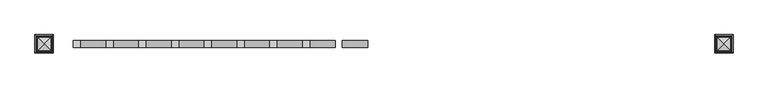
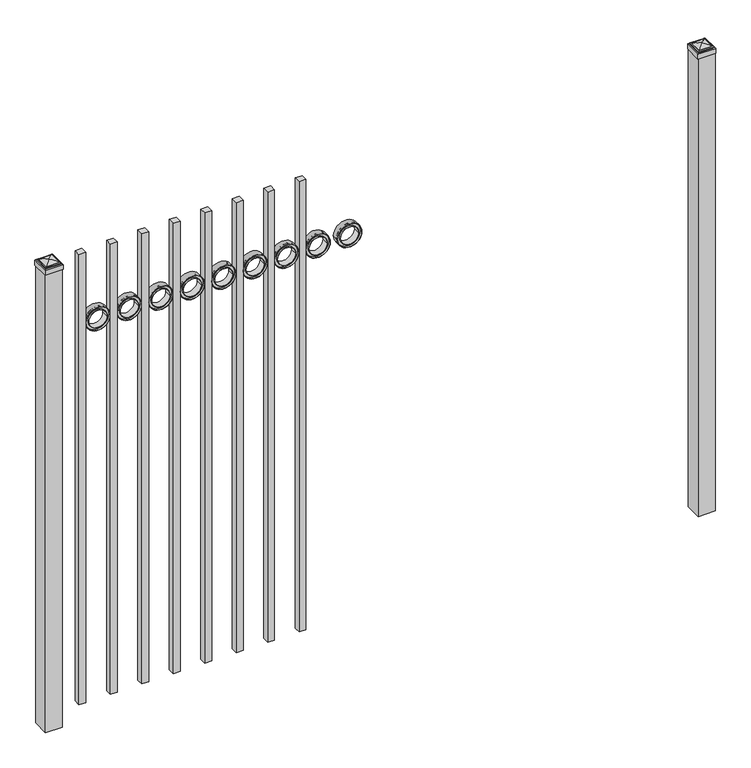
"""IFC4 building model written with IfcOpenShell, lengths in millimetres: railing geometry."""

from ifc_helpers import new_model, si_unit, point, frame, frame_2d, origin, origin_with_axes, place, context, project, spatial, polyline, circle_curve, ellipse_curve, trimmed, segment, composite_curve, outline, extrude, source, transform, mapped, element, save
from ifc_brep_helpers import plane_surface, cylinder_surface, advanced_brep


def railing_8e0ac181(model_context):
    return source(origin(), model_context, "Body", "SolidModel", [
        extrude(outline(composite_curve([segment(trimmed(circle_curve(frame_2d((1550.2040076, 12601.0088655)), 45.6988591), [point((1550.2040076, 12646.7077246))], [point((1550.2040076, 12555.3100064))], False, "CARTESIAN"), True, "CONTINUOUS"), segment(trimmed(circle_curve(frame_2d((1550.2040076, 12601.0088655)), 45.6988591), [point((1550.2040076, 12555.3100064))], [point((1550.2040076, 12646.7077246))], False, "CARTESIAN"), True, "CONTINUOUS")], self_intersect=False), holes=[composite_curve([segment(trimmed(circle_curve(frame_2d((1550.2040076, 12601.0088655)), 44.101539), [point((1550.2040076, 12645.1104045))], [point((1550.2040076, 12556.9073265))], True, "CARTESIAN"), True, "CONTINUOUS"), segment(trimmed(circle_curve(frame_2d((1550.2040076, 12601.0088655)), 44.101539), [point((1550.2040076, 12556.9073265))], [point((1550.2040076, 12645.1104045))], True, "CARTESIAN"), True, "CONTINUOUS")], self_intersect=False)]), frame((0.0, 10356.219541, 0.0), z_axis=(0.0, 1.0, 0.0), x_axis=(0.0, 0.0, 1.0)), (0.0, 0.0, 1.0), 25.4),
        extrude(outline(composite_curve([segment(trimmed(circle_curve(frame_2d((1550.2040076, 12601.0088655)), 34.6370762), [point((1550.2040076, 12635.6459417))], [point((1550.2040076, 12566.3717893))], False, "CARTESIAN"), True, "CONTINUOUS"), segment(trimmed(circle_curve(frame_2d((1550.2040076, 12601.0088655)), 34.6370762), [point((1550.2040076, 12566.3717893))], [point((1550.2040076, 12635.6459417))], False, "CARTESIAN"), True, "CONTINUOUS")], self_intersect=False), holes=[composite_curve([segment(trimmed(circle_curve(frame_2d((1550.2040076, 12601.0088655)), 33.0443887), [point((1550.2040076, 12634.0532542))], [point((1550.2040076, 12567.9644768))], True, "CARTESIAN"), True, "CONTINUOUS"), segment(trimmed(circle_curve(frame_2d((1550.2040076, 12601.0088655)), 33.0443887), [point((1550.2040076, 12567.9644768))], [point((1550.2040076, 12634.0532542))], True, "CARTESIAN"), True, "CONTINUOUS")], self_intersect=False)]), frame((0.0, 10356.219541, 0.0), z_axis=(0.0, 1.0, 0.0), x_axis=(0.0, 0.0, 1.0)), (0.0, 0.0, 1.0), 25.4),
        extrude(outline(composite_curve([segment(trimmed(circle_curve(frame_2d((1550.2040076, 12601.0088655)), 45.6988591), [point((1550.2040076, 12646.7077246))], [point((1550.2040076, 12555.3100064))], False, "CARTESIAN"), True, "CONTINUOUS"), segment(trimmed(circle_curve(frame_2d((1550.2040076, 12601.0088655)), 45.6988591), [point((1550.2040076, 12555.3100064))], [point((1550.2040076, 12646.7077246))], False, "CARTESIAN"), True, "CONTINUOUS")], self_intersect=False), holes=[composite_curve([segment(trimmed(circle_curve(frame_2d((1550.2040076, 12601.0088655)), 33.0443887), [point((1550.2040076, 12634.0532542))], [point((1550.2040076, 12567.9644768))], True, "CARTESIAN"), True, "CONTINUOUS"), segment(trimmed(circle_curve(frame_2d((1550.2040076, 12601.0088655)), 33.0443887), [point((1550.2040076, 12567.9644768))], [point((1550.2040076, 12634.0532542))], True, "CARTESIAN"), True, "CONTINUOUS")], self_intersect=False)]), frame((0.0, 10362.569541, 0.0), z_axis=(0.0, 1.0, 0.0), x_axis=(0.0, 0.0, 1.0)), (0.0, 0.0, 1.0), 12.7),
        extrude(outline(polyline([(12412.4350064, 10381.619541), (12437.8350064, 10381.619541), (12437.8350064, 10356.219541), (12412.4350064, 10356.219541), (12412.4350064, 10381.619541)])), frame((0.0, 0.0, 50.8), z_axis=(0.0, 0.0, 1.0), x_axis=(1.0, 0.0, 0.0)), (0.0, 0.0, 1.0), 1778.0),
        extrude(outline(composite_curve([segment(trimmed(circle_curve(frame_2d((1550.2040076, 12483.5338655)), 45.6988591), [point((1550.2040076, 12529.2327246))], [point((1550.2040076, 12437.8350064))], False, "CARTESIAN"), True, "CONTINUOUS"), segment(trimmed(circle_curve(frame_2d((1550.2040076, 12483.5338655)), 45.6988591), [point((1550.2040076, 12437.8350064))], [point((1550.2040076, 12529.2327246))], False, "CARTESIAN"), True, "CONTINUOUS")], self_intersect=False), holes=[composite_curve([segment(trimmed(circle_curve(frame_2d((1550.2040076, 12483.5338655)), 44.101539), [point((1550.2040076, 12527.6354045))], [point((1550.2040076, 12439.4323265))], True, "CARTESIAN"), True, "CONTINUOUS"), segment(trimmed(circle_curve(frame_2d((1550.2040076, 12483.5338655)), 44.101539), [point((1550.2040076, 12439.4323265))], [point((1550.2040076, 12527.6354045))], True, "CARTESIAN"), True, "CONTINUOUS")], self_intersect=False)]), frame((0.0, 10356.219541, 0.0), z_axis=(0.0, 1.0, 0.0), x_axis=(0.0, 0.0, 1.0)), (0.0, 0.0, 1.0), 25.4),
        extrude(outline(composite_curve([segment(trimmed(circle_curve(frame_2d((1550.2040076, 12483.5338655)), 34.6370762), [point((1550.2040076, 12518.1709417))], [point((1550.2040076, 12448.8967893))], False, "CARTESIAN"), True, "CONTINUOUS"), segment(trimmed(circle_curve(frame_2d((1550.2040076, 12483.5338655)), 34.6370762), [point((1550.2040076, 12448.8967893))], [point((1550.2040076, 12518.1709417))], False, "CARTESIAN"), True, "CONTINUOUS")], self_intersect=False), holes=[composite_curve([segment(trimmed(circle_curve(frame_2d((1550.2040076, 12483.5338655)), 33.0443887), [point((1550.2040076, 12516.5782542))], [point((1550.2040076, 12450.4894768))], True, "CARTESIAN"), True, "CONTINUOUS"), segment(trimmed(circle_curve(frame_2d((1550.2040076, 12483.5338655)), 33.0443887), [point((1550.2040076, 12450.4894768))], [point((1550.2040076, 12516.5782542))], True, "CARTESIAN"), True, "CONTINUOUS")], self_intersect=False)]), frame((0.0, 10356.219541, 0.0), z_axis=(0.0, 1.0, 0.0), x_axis=(0.0, 0.0, 1.0)), (0.0, 0.0, 1.0), 25.4),
        extrude(outline(composite_curve([segment(trimmed(circle_curve(frame_2d((1550.2040076, 12483.5338655)), 45.6988591), [point((1550.2040076, 12529.2327246))], [point((1550.2040076, 12437.8350064))], False, "CARTESIAN"), True, "CONTINUOUS"), segment(trimmed(circle_curve(frame_2d((1550.2040076, 12483.5338655)), 45.6988591), [point((1550.2040076, 12437.8350064))], [point((1550.2040076, 12529.2327246))], False, "CARTESIAN"), True, "CONTINUOUS")], self_intersect=False), holes=[composite_curve([segment(trimmed(circle_curve(frame_2d((1550.2040076, 12483.5338655)), 33.0443887), [point((1550.2040076, 12516.5782542))], [point((1550.2040076, 12450.4894768))], True, "CARTESIAN"), True, "CONTINUOUS"), segment(trimmed(circle_curve(frame_2d((1550.2040076, 12483.5338655)), 33.0443887), [point((1550.2040076, 12450.4894768))], [point((1550.2040076, 12516.5782542))], True, "CARTESIAN"), True, "CONTINUOUS")], self_intersect=False)]), frame((0.0, 10362.569541, 0.0), z_axis=(0.0, 1.0, 0.0), x_axis=(0.0, 0.0, 1.0)), (0.0, 0.0, 1.0), 12.7),
        extrude(outline(polyline([(12294.9600064, 10381.619541), (12320.3600064, 10381.619541), (12320.3600064, 10356.219541), (12294.9600064, 10356.219541), (12294.9600064, 10381.619541)])), frame((0.0, 0.0, 50.8), z_axis=(0.0, 0.0, 1.0), x_axis=(1.0, 0.0, 0.0)), (0.0, 0.0, 1.0), 1778.0),
        extrude(outline(composite_curve([segment(trimmed(circle_curve(frame_2d((1550.2040076, 12366.0588655)), 45.6988591), [point((1550.2040076, 12411.7577246))], [point((1550.2040076, 12320.3600064))], False, "CARTESIAN"), True, "CONTINUOUS"), segment(trimmed(circle_curve(frame_2d((1550.2040076, 12366.0588655)), 45.6988591), [point((1550.2040076, 12320.3600064))], [point((1550.2040076, 12411.7577246))], False, "CARTESIAN"), True, "CONTINUOUS")], self_intersect=False), holes=[composite_curve([segment(trimmed(circle_curve(frame_2d((1550.2040076, 12366.0588655)), 44.101539), [point((1550.2040076, 12410.1604045))], [point((1550.2040076, 12321.9573265))], True, "CARTESIAN"), True, "CONTINUOUS"), segment(trimmed(circle_curve(frame_2d((1550.2040076, 12366.0588655)), 44.101539), [point((1550.2040076, 12321.9573265))], [point((1550.2040076, 12410.1604045))], True, "CARTESIAN"), True, "CONTINUOUS")], self_intersect=False)]), frame((0.0, 10356.219541, 0.0), z_axis=(0.0, 1.0, 0.0), x_axis=(0.0, 0.0, 1.0)), (0.0, 0.0, 1.0), 25.4),
        extrude(outline(composite_curve([segment(trimmed(circle_curve(frame_2d((1550.2040076, 12366.0588655)), 34.6370762), [point((1550.2040076, 12400.6959417))], [point((1550.2040076, 12331.4217893))], False, "CARTESIAN"), True, "CONTINUOUS"), segment(trimmed(circle_curve(frame_2d((1550.2040076, 12366.0588655)), 34.6370762), [point((1550.2040076, 12331.4217893))], [point((1550.2040076, 12400.6959417))], False, "CARTESIAN"), True, "CONTINUOUS")], self_intersect=False), holes=[composite_curve([segment(trimmed(circle_curve(frame_2d((1550.2040076, 12366.0588655)), 33.0443887), [point((1550.2040076, 12399.1032542))], [point((1550.2040076, 12333.0144768))], True, "CARTESIAN"), True, "CONTINUOUS"), segment(trimmed(circle_curve(frame_2d((1550.2040076, 12366.0588655)), 33.0443887), [point((1550.2040076, 12333.0144768))], [point((1550.2040076, 12399.1032542))], True, "CARTESIAN"), True, "CONTINUOUS")], self_intersect=False)]), frame((0.0, 10356.219541, 0.0), z_axis=(0.0, 1.0, 0.0), x_axis=(0.0, 0.0, 1.0)), (0.0, 0.0, 1.0), 25.4),
        extrude(outline(composite_curve([segment(trimmed(circle_curve(frame_2d((1550.2040076, 12366.0588655)), 45.6988591), [point((1550.2040076, 12411.7577246))], [point((1550.2040076, 12320.3600064))], False, "CARTESIAN"), True, "CONTINUOUS"), segment(trimmed(circle_curve(frame_2d((1550.2040076, 12366.0588655)), 45.6988591), [point((1550.2040076, 12320.3600064))], [point((1550.2040076, 12411.7577246))], False, "CARTESIAN"), True, "CONTINUOUS")], self_intersect=False), holes=[composite_curve([segment(trimmed(circle_curve(frame_2d((1550.2040076, 12366.0588655)), 33.0443887), [point((1550.2040076, 12399.1032542))], [point((1550.2040076, 12333.0144768))], True, "CARTESIAN"), True, "CONTINUOUS"), segment(trimmed(circle_curve(frame_2d((1550.2040076, 12366.0588655)), 33.0443887), [point((1550.2040076, 12333.0144768))], [point((1550.2040076, 12399.1032542))], True, "CARTESIAN"), True, "CONTINUOUS")], self_intersect=False)]), frame((0.0, 10362.569541, 0.0), z_axis=(0.0, 1.0, 0.0), x_axis=(0.0, 0.0, 1.0)), (0.0, 0.0, 1.0), 12.7),
        extrude(outline(polyline([(12177.4850064, 10381.619541), (12202.8850064, 10381.619541), (12202.8850064, 10356.219541), (12177.4850064, 10356.219541), (12177.4850064, 10381.619541)])), frame((0.0, 0.0, 50.8), z_axis=(0.0, 0.0, 1.0), x_axis=(1.0, 0.0, 0.0)), (0.0, 0.0, 1.0), 1778.0),
        extrude(outline(composite_curve([segment(trimmed(circle_curve(frame_2d((1550.2040076, 12248.5838655)), 45.6988591), [point((1550.2040076, 12294.2827246))], [point((1550.2040076, 12202.8850064))], False, "CARTESIAN"), True, "CONTINUOUS"), segment(trimmed(circle_curve(frame_2d((1550.2040076, 12248.5838655)), 45.6988591), [point((1550.2040076, 12202.8850064))], [point((1550.2040076, 12294.2827246))], False, "CARTESIAN"), True, "CONTINUOUS")], self_intersect=False), holes=[composite_curve([segment(trimmed(circle_curve(frame_2d((1550.2040076, 12248.5838655)), 44.101539), [point((1550.2040076, 12292.6854045))], [point((1550.2040076, 12204.4823265))], True, "CARTESIAN"), True, "CONTINUOUS"), segment(trimmed(circle_curve(frame_2d((1550.2040076, 12248.5838655)), 44.101539), [point((1550.2040076, 12204.4823265))], [point((1550.2040076, 12292.6854045))], True, "CARTESIAN"), True, "CONTINUOUS")], self_intersect=False)]), frame((0.0, 10356.219541, 0.0), z_axis=(0.0, 1.0, 0.0), x_axis=(0.0, 0.0, 1.0)), (0.0, 0.0, 1.0), 25.4),
        extrude(outline(composite_curve([segment(trimmed(circle_curve(frame_2d((1550.2040076, 12248.5838655)), 34.6370762), [point((1550.2040076, 12283.2209417))], [point((1550.2040076, 12213.9467893))], False, "CARTESIAN"), True, "CONTINUOUS"), segment(trimmed(circle_curve(frame_2d((1550.2040076, 12248.5838655)), 34.6370762), [point((1550.2040076, 12213.9467893))], [point((1550.2040076, 12283.2209417))], False, "CARTESIAN"), True, "CONTINUOUS")], self_intersect=False), holes=[composite_curve([segment(trimmed(circle_curve(frame_2d((1550.2040076, 12248.5838655)), 33.0443887), [point((1550.2040076, 12281.6282542))], [point((1550.2040076, 12215.5394768))], True, "CARTESIAN"), True, "CONTINUOUS"), segment(trimmed(circle_curve(frame_2d((1550.2040076, 12248.5838655)), 33.0443887), [point((1550.2040076, 12215.5394768))], [point((1550.2040076, 12281.6282542))], True, "CARTESIAN"), True, "CONTINUOUS")], self_intersect=False)]), frame((0.0, 10356.219541, 0.0), z_axis=(0.0, 1.0, 0.0), x_axis=(0.0, 0.0, 1.0)), (0.0, 0.0, 1.0), 25.4),
        extrude(outline(composite_curve([segment(trimmed(circle_curve(frame_2d((1550.2040076, 12248.5838655)), 45.6988591), [point((1550.2040076, 12294.2827246))], [point((1550.2040076, 12202.8850064))], False, "CARTESIAN"), True, "CONTINUOUS"), segment(trimmed(circle_curve(frame_2d((1550.2040076, 12248.5838655)), 45.6988591), [point((1550.2040076, 12202.8850064))], [point((1550.2040076, 12294.2827246))], False, "CARTESIAN"), True, "CONTINUOUS")], self_intersect=False), holes=[composite_curve([segment(trimmed(circle_curve(frame_2d((1550.2040076, 12248.5838655)), 33.0443887), [point((1550.2040076, 12281.6282542))], [point((1550.2040076, 12215.5394768))], True, "CARTESIAN"), True, "CONTINUOUS"), segment(trimmed(circle_curve(frame_2d((1550.2040076, 12248.5838655)), 33.0443887), [point((1550.2040076, 12215.5394768))], [point((1550.2040076, 12281.6282542))], True, "CARTESIAN"), True, "CONTINUOUS")], self_intersect=False)]), frame((0.0, 10362.569541, 0.0), z_axis=(0.0, 1.0, 0.0), x_axis=(0.0, 0.0, 1.0)), (0.0, 0.0, 1.0), 12.7),
        extrude(outline(polyline([(12060.0100064, 10381.619541), (12085.4100064, 10381.619541), (12085.4100064, 10356.219541), (12060.0100064, 10356.219541), (12060.0100064, 10381.619541)])), frame((0.0, 0.0, 50.8), z_axis=(0.0, 0.0, 1.0), x_axis=(1.0, 0.0, 0.0)), (0.0, 0.0, 1.0), 1778.0),
        extrude(outline(composite_curve([segment(trimmed(circle_curve(frame_2d((1550.2040076, 12131.1088655)), 45.6988591), [point((1550.2040076, 12176.8077246))], [point((1550.2040076, 12085.4100064))], False, "CARTESIAN"), True, "CONTINUOUS"), segment(trimmed(circle_curve(frame_2d((1550.2040076, 12131.1088655)), 45.6988591), [point((1550.2040076, 12085.4100064))], [point((1550.2040076, 12176.8077246))], False, "CARTESIAN"), True, "CONTINUOUS")], self_intersect=False), holes=[composite_curve([segment(trimmed(circle_curve(frame_2d((1550.2040076, 12131.1088655)), 44.101539), [point((1550.2040076, 12175.2104045))], [point((1550.2040076, 12087.0073265))], True, "CARTESIAN"), True, "CONTINUOUS"), segment(trimmed(circle_curve(frame_2d((1550.2040076, 12131.1088655)), 44.101539), [point((1550.2040076, 12087.0073265))], [point((1550.2040076, 12175.2104045))], True, "CARTESIAN"), True, "CONTINUOUS")], self_intersect=False)]), frame((0.0, 10356.219541, 0.0), z_axis=(0.0, 1.0, 0.0), x_axis=(0.0, 0.0, 1.0)), (0.0, 0.0, 1.0), 25.4),
        extrude(outline(composite_curve([segment(trimmed(circle_curve(frame_2d((1550.2040076, 12131.1088655)), 34.6370762), [point((1550.2040076, 12165.7459417))], [point((1550.2040076, 12096.4717893))], False, "CARTESIAN"), True, "CONTINUOUS"), segment(trimmed(circle_curve(frame_2d((1550.2040076, 12131.1088655)), 34.6370762), [point((1550.2040076, 12096.4717893))], [point((1550.2040076, 12165.7459417))], False, "CARTESIAN"), True, "CONTINUOUS")], self_intersect=False), holes=[composite_curve([segment(trimmed(circle_curve(frame_2d((1550.2040076, 12131.1088655)), 33.0443887), [point((1550.2040076, 12164.1532542))], [point((1550.2040076, 12098.0644768))], True, "CARTESIAN"), True, "CONTINUOUS"), segment(trimmed(circle_curve(frame_2d((1550.2040076, 12131.1088655)), 33.0443887), [point((1550.2040076, 12098.0644768))], [point((1550.2040076, 12164.1532542))], True, "CARTESIAN"), True, "CONTINUOUS")], self_intersect=False)]), frame((0.0, 10356.219541, 0.0), z_axis=(0.0, 1.0, 0.0), x_axis=(0.0, 0.0, 1.0)), (0.0, 0.0, 1.0), 25.4),
        extrude(outline(composite_curve([segment(trimmed(circle_curve(frame_2d((1550.2040076, 12131.1088655)), 45.6988591), [point((1550.2040076, 12176.8077246))], [point((1550.2040076, 12085.4100064))], False, "CARTESIAN"), True, "CONTINUOUS"), segment(trimmed(circle_curve(frame_2d((1550.2040076, 12131.1088655)), 45.6988591), [point((1550.2040076, 12085.4100064))], [point((1550.2040076, 12176.8077246))], False, "CARTESIAN"), True, "CONTINUOUS")], self_intersect=False), holes=[composite_curve([segment(trimmed(circle_curve(frame_2d((1550.2040076, 12131.1088655)), 33.0443887), [point((1550.2040076, 12164.1532542))], [point((1550.2040076, 12098.0644768))], True, "CARTESIAN"), True, "CONTINUOUS"), segment(trimmed(circle_curve(frame_2d((1550.2040076, 12131.1088655)), 33.0443887), [point((1550.2040076, 12098.0644768))], [point((1550.2040076, 12164.1532542))], True, "CARTESIAN"), True, "CONTINUOUS")], self_intersect=False)]), frame((0.0, 10362.569541, 0.0), z_axis=(0.0, 1.0, 0.0), x_axis=(0.0, 0.0, 1.0)), (0.0, 0.0, 1.0), 12.7),
        extrude(outline(polyline([(11942.5350064, 10381.619541), (11967.9350064, 10381.619541), (11967.9350064, 10356.219541), (11942.5350064, 10356.219541), (11942.5350064, 10381.619541)])), frame((0.0, 0.0, 50.8), z_axis=(0.0, 0.0, 1.0), x_axis=(1.0, 0.0, 0.0)), (0.0, 0.0, 1.0), 1778.0),
        extrude(outline(composite_curve([segment(trimmed(circle_curve(frame_2d((1550.2040076, 12013.6338655)), 45.6988591), [point((1550.2040076, 12059.3327246))], [point((1550.2040076, 11967.9350064))], False, "CARTESIAN"), True, "CONTINUOUS"), segment(trimmed(circle_curve(frame_2d((1550.2040076, 12013.6338655)), 45.6988591), [point((1550.2040076, 11967.9350064))], [point((1550.2040076, 12059.3327246))], False, "CARTESIAN"), True, "CONTINUOUS")], self_intersect=False), holes=[composite_curve([segment(trimmed(circle_curve(frame_2d((1550.2040076, 12013.6338655)), 44.101539), [point((1550.2040076, 12057.7354045))], [point((1550.2040076, 11969.5323265))], True, "CARTESIAN"), True, "CONTINUOUS"), segment(trimmed(circle_curve(frame_2d((1550.2040076, 12013.6338655)), 44.101539), [point((1550.2040076, 11969.5323265))], [point((1550.2040076, 12057.7354045))], True, "CARTESIAN"), True, "CONTINUOUS")], self_intersect=False)]), frame((0.0, 10356.219541, 0.0), z_axis=(0.0, 1.0, 0.0), x_axis=(0.0, 0.0, 1.0)), (0.0, 0.0, 1.0), 25.4),
        extrude(outline(composite_curve([segment(trimmed(circle_curve(frame_2d((1550.2040076, 12013.6338655)), 34.6370762), [point((1550.2040076, 12048.2709417))], [point((1550.2040076, 11978.9967893))], False, "CARTESIAN"), True, "CONTINUOUS"), segment(trimmed(circle_curve(frame_2d((1550.2040076, 12013.6338655)), 34.6370762), [point((1550.2040076, 11978.9967893))], [point((1550.2040076, 12048.2709417))], False, "CARTESIAN"), True, "CONTINUOUS")], self_intersect=False), holes=[composite_curve([segment(trimmed(circle_curve(frame_2d((1550.2040076, 12013.6338655)), 33.0443887), [point((1550.2040076, 12046.6782542))], [point((1550.2040076, 11980.5894768))], True, "CARTESIAN"), True, "CONTINUOUS"), segment(trimmed(circle_curve(frame_2d((1550.2040076, 12013.6338655)), 33.0443887), [point((1550.2040076, 11980.5894768))], [point((1550.2040076, 12046.6782542))], True, "CARTESIAN"), True, "CONTINUOUS")], self_intersect=False)]), frame((0.0, 10356.219541, 0.0), z_axis=(0.0, 1.0, 0.0), x_axis=(0.0, 0.0, 1.0)), (0.0, 0.0, 1.0), 25.4),
        extrude(outline(composite_curve([segment(trimmed(circle_curve(frame_2d((1550.2040076, 12013.6338655)), 45.6988591), [point((1550.2040076, 12059.3327246))], [point((1550.2040076, 11967.9350064))], False, "CARTESIAN"), True, "CONTINUOUS"), segment(trimmed(circle_curve(frame_2d((1550.2040076, 12013.6338655)), 45.6988591), [point((1550.2040076, 11967.9350064))], [point((1550.2040076, 12059.3327246))], False, "CARTESIAN"), True, "CONTINUOUS")], self_intersect=False), holes=[composite_curve([segment(trimmed(circle_curve(frame_2d((1550.2040076, 12013.6338655)), 33.0443887), [point((1550.2040076, 12046.6782542))], [point((1550.2040076, 11980.5894768))], True, "CARTESIAN"), True, "CONTINUOUS"), segment(trimmed(circle_curve(frame_2d((1550.2040076, 12013.6338655)), 33.0443887), [point((1550.2040076, 11980.5894768))], [point((1550.2040076, 12046.6782542))], True, "CARTESIAN"), True, "CONTINUOUS")], self_intersect=False)]), frame((0.0, 10362.569541, 0.0), z_axis=(0.0, 1.0, 0.0), x_axis=(0.0, 0.0, 1.0)), (0.0, 0.0, 1.0), 12.7),
        extrude(outline(polyline([(11825.0600064, 10381.619541), (11850.4600064, 10381.619541), (11850.4600064, 10356.219541), (11825.0600064, 10356.219541), (11825.0600064, 10381.619541)])), frame((0.0, 0.0, 50.8), z_axis=(0.0, 0.0, 1.0), x_axis=(1.0, 0.0, 0.0)), (0.0, 0.0, 1.0), 1778.0),
        extrude(outline(composite_curve([segment(trimmed(circle_curve(frame_2d((1550.2040076, 11896.1588655)), 45.6988591), [point((1550.2040076, 11941.8577246))], [point((1550.2040076, 11850.4600064))], False, "CARTESIAN"), True, "CONTINUOUS"), segment(trimmed(circle_curve(frame_2d((1550.2040076, 11896.1588655)), 45.6988591), [point((1550.2040076, 11850.4600064))], [point((1550.2040076, 11941.8577246))], False, "CARTESIAN"), True, "CONTINUOUS")], self_intersect=False), holes=[composite_curve([segment(trimmed(circle_curve(frame_2d((1550.2040076, 11896.1588655)), 44.101539), [point((1550.2040076, 11940.2604045))], [point((1550.2040076, 11852.0573265))], True, "CARTESIAN"), True, "CONTINUOUS"), segment(trimmed(circle_curve(frame_2d((1550.2040076, 11896.1588655)), 44.101539), [point((1550.2040076, 11852.0573265))], [point((1550.2040076, 11940.2604045))], True, "CARTESIAN"), True, "CONTINUOUS")], self_intersect=False)]), frame((0.0, 10356.219541, 0.0), z_axis=(0.0, 1.0, 0.0), x_axis=(0.0, 0.0, 1.0)), (0.0, 0.0, 1.0), 25.4),
        extrude(outline(composite_curve([segment(trimmed(circle_curve(frame_2d((1550.2040076, 11896.1588655)), 34.6370762), [point((1550.2040076, 11930.7959417))], [point((1550.2040076, 11861.5217893))], False, "CARTESIAN"), True, "CONTINUOUS"), segment(trimmed(circle_curve(frame_2d((1550.2040076, 11896.1588655)), 34.6370762), [point((1550.2040076, 11861.5217893))], [point((1550.2040076, 11930.7959417))], False, "CARTESIAN"), True, "CONTINUOUS")], self_intersect=False), holes=[composite_curve([segment(trimmed(circle_curve(frame_2d((1550.2040076, 11896.1588655)), 33.0443887), [point((1550.2040076, 11929.2032542))], [point((1550.2040076, 11863.1144768))], True, "CARTESIAN"), True, "CONTINUOUS"), segment(trimmed(circle_curve(frame_2d((1550.2040076, 11896.1588655)), 33.0443887), [point((1550.2040076, 11863.1144768))], [point((1550.2040076, 11929.2032542))], True, "CARTESIAN"), True, "CONTINUOUS")], self_intersect=False)]), frame((0.0, 10356.219541, 0.0), z_axis=(0.0, 1.0, 0.0), x_axis=(0.0, 0.0, 1.0)), (0.0, 0.0, 1.0), 25.4),
        extrude(outline(composite_curve([segment(trimmed(circle_curve(frame_2d((1550.2040076, 11896.1588655)), 45.6988591), [point((1550.2040076, 11941.8577246))], [point((1550.2040076, 11850.4600064))], False, "CARTESIAN"), True, "CONTINUOUS"), segment(trimmed(circle_curve(frame_2d((1550.2040076, 11896.1588655)), 45.6988591), [point((1550.2040076, 11850.4600064))], [point((1550.2040076, 11941.8577246))], False, "CARTESIAN"), True, "CONTINUOUS")], self_intersect=False), holes=[composite_curve([segment(trimmed(circle_curve(frame_2d((1550.2040076, 11896.1588655)), 33.0443887), [point((1550.2040076, 11929.2032542))], [point((1550.2040076, 11863.1144768))], True, "CARTESIAN"), True, "CONTINUOUS"), segment(trimmed(circle_curve(frame_2d((1550.2040076, 11896.1588655)), 33.0443887), [point((1550.2040076, 11863.1144768))], [point((1550.2040076, 11929.2032542))], True, "CARTESIAN"), True, "CONTINUOUS")], self_intersect=False)]), frame((0.0, 10362.569541, 0.0), z_axis=(0.0, 1.0, 0.0), x_axis=(0.0, 0.0, 1.0)), (0.0, 0.0, 1.0), 12.7),
        extrude(outline(polyline([(11707.5850064, 10381.619541), (11732.9850064, 10381.619541), (11732.9850064, 10356.219541), (11707.5850064, 10356.219541), (11707.5850064, 10381.619541)])), frame((0.0, 0.0, 50.8), z_axis=(0.0, 0.0, 1.0), x_axis=(1.0, 0.0, 0.0)), (0.0, 0.0, 1.0), 1778.0),
        extrude(outline(composite_curve([segment(trimmed(circle_curve(frame_2d((1550.2040076, 11778.6838655)), 45.6988591), [point((1550.2040076, 11824.3827246))], [point((1550.2040076, 11732.9850064))], False, "CARTESIAN"), True, "CONTINUOUS"), segment(trimmed(circle_curve(frame_2d((1550.2040076, 11778.6838655)), 45.6988591), [point((1550.2040076, 11732.9850064))], [point((1550.2040076, 11824.3827246))], False, "CARTESIAN"), True, "CONTINUOUS")], self_intersect=False), holes=[composite_curve([segment(trimmed(circle_curve(frame_2d((1550.2040076, 11778.6838655)), 44.101539), [point((1550.2040076, 11822.7854045))], [point((1550.2040076, 11734.5823265))], True, "CARTESIAN"), True, "CONTINUOUS"), segment(trimmed(circle_curve(frame_2d((1550.2040076, 11778.6838655)), 44.101539), [point((1550.2040076, 11734.5823265))], [point((1550.2040076, 11822.7854045))], True, "CARTESIAN"), True, "CONTINUOUS")], self_intersect=False)]), frame((0.0, 10356.219541, 0.0), z_axis=(0.0, 1.0, 0.0), x_axis=(0.0, 0.0, 1.0)), (0.0, 0.0, 1.0), 25.4),
        extrude(outline(composite_curve([segment(trimmed(circle_curve(frame_2d((1550.2040076, 11778.6838655)), 34.6370762), [point((1550.2040076, 11813.3209417))], [point((1550.2040076, 11744.0467893))], False, "CARTESIAN"), True, "CONTINUOUS"), segment(trimmed(circle_curve(frame_2d((1550.2040076, 11778.6838655)), 34.6370762), [point((1550.2040076, 11744.0467893))], [point((1550.2040076, 11813.3209417))], False, "CARTESIAN"), True, "CONTINUOUS")], self_intersect=False), holes=[composite_curve([segment(trimmed(circle_curve(frame_2d((1550.2040076, 11778.6838655)), 33.0443887), [point((1550.2040076, 11811.7282542))], [point((1550.2040076, 11745.6394768))], True, "CARTESIAN"), True, "CONTINUOUS"), segment(trimmed(circle_curve(frame_2d((1550.2040076, 11778.6838655)), 33.0443887), [point((1550.2040076, 11745.6394768))], [point((1550.2040076, 11811.7282542))], True, "CARTESIAN"), True, "CONTINUOUS")], self_intersect=False)]), frame((0.0, 10356.219541, 0.0), z_axis=(0.0, 1.0, 0.0), x_axis=(0.0, 0.0, 1.0)), (0.0, 0.0, 1.0), 25.4),
        extrude(outline(composite_curve([segment(trimmed(circle_curve(frame_2d((1550.2040076, 11778.6838655)), 45.6988591), [point((1550.2040076, 11824.3827246))], [point((1550.2040076, 11732.9850064))], False, "CARTESIAN"), True, "CONTINUOUS"), segment(trimmed(circle_curve(frame_2d((1550.2040076, 11778.6838655)), 45.6988591), [point((1550.2040076, 11732.9850064))], [point((1550.2040076, 11824.3827246))], False, "CARTESIAN"), True, "CONTINUOUS")], self_intersect=False), holes=[composite_curve([segment(trimmed(circle_curve(frame_2d((1550.2040076, 11778.6838655)), 33.0443887), [point((1550.2040076, 11811.7282542))], [point((1550.2040076, 11745.6394768))], True, "CARTESIAN"), True, "CONTINUOUS"), segment(trimmed(circle_curve(frame_2d((1550.2040076, 11778.6838655)), 33.0443887), [point((1550.2040076, 11745.6394768))], [point((1550.2040076, 11811.7282542))], True, "CARTESIAN"), True, "CONTINUOUS")], self_intersect=False)]), frame((0.0, 10362.569541, 0.0), z_axis=(0.0, 1.0, 0.0), x_axis=(0.0, 0.0, 1.0)), (0.0, 0.0, 1.0), 12.7),
        extrude(outline(polyline([(11590.1100064, 10381.619541), (11615.5100064, 10381.619541), (11615.5100064, 10356.219541), (11590.1100064, 10356.219541), (11590.1100064, 10381.619541)])), frame((0.0, 0.0, 50.8), z_axis=(0.0, 0.0, 1.0), x_axis=(1.0, 0.0, 0.0)), (0.0, 0.0, 1.0), 1778.0),
        extrude(outline(composite_curve([segment(trimmed(circle_curve(frame_2d((1550.2040076, 11661.2088655)), 45.6988591), [point((1550.2040076, 11706.9077246))], [point((1550.2040076, 11615.5100064))], False, "CARTESIAN"), True, "CONTINUOUS"), segment(trimmed(circle_curve(frame_2d((1550.2040076, 11661.2088655)), 45.6988591), [point((1550.2040076, 11615.5100064))], [point((1550.2040076, 11706.9077246))], False, "CARTESIAN"), True, "CONTINUOUS")], self_intersect=False), holes=[composite_curve([segment(trimmed(circle_curve(frame_2d((1550.2040076, 11661.2088655)), 44.101539), [point((1550.2040076, 11705.3104045))], [point((1550.2040076, 11617.1073265))], True, "CARTESIAN"), True, "CONTINUOUS"), segment(trimmed(circle_curve(frame_2d((1550.2040076, 11661.2088655)), 44.101539), [point((1550.2040076, 11617.1073265))], [point((1550.2040076, 11705.3104045))], True, "CARTESIAN"), True, "CONTINUOUS")], self_intersect=False)]), frame((0.0, 10356.219541, 0.0), z_axis=(0.0, 1.0, 0.0), x_axis=(0.0, 0.0, 1.0)), (0.0, 0.0, 1.0), 25.4),
        extrude(outline(composite_curve([segment(trimmed(circle_curve(frame_2d((1550.2040076, 11661.2088655)), 34.6370762), [point((1550.2040076, 11695.8459417))], [point((1550.2040076, 11626.5717893))], False, "CARTESIAN"), True, "CONTINUOUS"), segment(trimmed(circle_curve(frame_2d((1550.2040076, 11661.2088655)), 34.6370762), [point((1550.2040076, 11626.5717893))], [point((1550.2040076, 11695.8459417))], False, "CARTESIAN"), True, "CONTINUOUS")], self_intersect=False), holes=[composite_curve([segment(trimmed(circle_curve(frame_2d((1550.2040076, 11661.2088655)), 33.0443887), [point((1550.2040076, 11694.2532542))], [point((1550.2040076, 11628.1644768))], True, "CARTESIAN"), True, "CONTINUOUS"), segment(trimmed(circle_curve(frame_2d((1550.2040076, 11661.2088655)), 33.0443887), [point((1550.2040076, 11628.1644768))], [point((1550.2040076, 11694.2532542))], True, "CARTESIAN"), True, "CONTINUOUS")], self_intersect=False)]), frame((0.0, 10356.219541, 0.0), z_axis=(0.0, 1.0, 0.0), x_axis=(0.0, 0.0, 1.0)), (0.0, 0.0, 1.0), 25.4),
        extrude(outline(composite_curve([segment(trimmed(circle_curve(frame_2d((1550.2040076, 11661.2088655)), 45.6988591), [point((1550.2040076, 11706.9077246))], [point((1550.2040076, 11615.5100064))], False, "CARTESIAN"), True, "CONTINUOUS"), segment(trimmed(circle_curve(frame_2d((1550.2040076, 11661.2088655)), 45.6988591), [point((1550.2040076, 11615.5100064))], [point((1550.2040076, 11706.9077246))], False, "CARTESIAN"), True, "CONTINUOUS")], self_intersect=False), holes=[composite_curve([segment(trimmed(circle_curve(frame_2d((1550.2040076, 11661.2088655)), 33.0443887), [point((1550.2040076, 11694.2532542))], [point((1550.2040076, 11628.1644768))], True, "CARTESIAN"), True, "CONTINUOUS"), segment(trimmed(circle_curve(frame_2d((1550.2040076, 11661.2088655)), 33.0443887), [point((1550.2040076, 11628.1644768))], [point((1550.2040076, 11694.2532542))], True, "CARTESIAN"), True, "CONTINUOUS")], self_intersect=False)]), frame((0.0, 10362.569541, 0.0), z_axis=(0.0, 1.0, 0.0), x_axis=(0.0, 0.0, 1.0)), (0.0, 0.0, 1.0), 12.7),
        extrude(outline(polyline([(13955.4850064, 10400.669541), (13955.4850064, 10337.169541), (13891.9850064, 10337.169541), (13891.9850064, 10400.669541), (13955.4850064, 10400.669541)])), origin_with_axes(), (0.0, 0.0, 1.0), 1808.1625),
        advanced_brep(
        [(13890.3975064, 10402.257041, 1826.41875), (13890.3975064, 10402.257041, 1808.1625), (13890.3975064, 10335.582041, 1808.1625), (13890.3975064, 10335.582041, 1826.41875), (13892.7787564, 10399.875791, 1828.8), (13892.7787564, 10337.963291, 1828.8), (13895.1600064, 10397.494541, 1831.18125), (13895.1600064, 10397.494541, 1828.8), (13895.1600064, 10340.344541, 1828.8), (13895.1600064, 10340.344541, 1831.18125), (13897.5412564, 10395.113291, 1833.5625), (13897.5412564, 10342.725791, 1833.5625), (13923.7350064, 10368.919541, 1839.9125), (13899.9225064, 10392.732041, 1833.5625), (13899.9225064, 10345.107041, 1833.5625), (13957.0725064, 10335.582041, 1808.1625), (13957.0725064, 10335.582041, 1826.41875), (13954.6912564, 10337.963291, 1828.8), (13952.3100064, 10340.344541, 1828.8), (13952.3100064, 10340.344541, 1831.18125), (13949.9287564, 10342.725791, 1833.5625), (13947.5475064, 10345.107041, 1833.5625), (13957.0725064, 10402.257041, 1808.1625), (13957.0725064, 10402.257041, 1826.41875), (13954.6912564, 10399.875791, 1828.8), (13952.3100064, 10397.494541, 1828.8), (13952.3100064, 10397.494541, 1831.18125), (13949.9287564, 10395.113291, 1833.5625), (13947.5475064, 10392.732041, 1833.5625)],
        [
            (0, 1),
            (1, 2),
            (2, 3),
            (3, 0),
            (4, 0, ellipse_curve(frame((13892.7787564, 10399.875791, 1826.41875), z_axis=(-0.70710678118655, -0.7071067811865449, 0.0), x_axis=(-0.7071067811865448, 0.7071067811865501, 0.0)), 3.367596, 2.38125)),
            (3, 5, ellipse_curve(frame((13892.7787564, 10337.963291, 1826.41875), z_axis=(-0.7071067811865449, 0.70710678118655, 0.0), x_axis=(0.7071067811865499, 0.707106781186545, 0.0)), 3.367596, 2.38125)),
            (5, 4),
            (6, 7),
            (7, 8),
            (8, 9),
            (9, 6),
            (10, 6, ellipse_curve(frame((13897.5412564, 10395.113291, 1831.18125), z_axis=(-0.70710678118655, -0.7071067811865449, 0.0), x_axis=(-0.7071067811865448, 0.7071067811865501, 0.0)), 3.367596, 2.38125)),
            (9, 11, ellipse_curve(frame((13897.5412564, 10342.725791, 1831.18125), z_axis=(-0.7071067811865449, 0.70710678118655, 0.0), x_axis=(0.7071067811865499, 0.707106781186545, 0.0)), 3.367596, 2.38125)),
            (11, 10),
            (12, 13, ellipse_curve(frame((13923.7350064, 10368.919541, 1792.0890625), z_axis=(-0.70710678118655, -0.7071067811865449, 0.0), x_axis=(-0.7071067811865448, 0.7071067811865501, 0.0)), 67.6325539, 47.8234375)),
            (13, 14),
            (14, 12, ellipse_curve(frame((13923.7350064, 10368.919541, 1792.0890625), z_axis=(-0.7071067811865449, 0.70710678118655, 0.0), x_axis=(0.7071067811865499, 0.707106781186545, 0.0)), 67.6325539, 47.8234375)),
            (2, 15),
            (15, 16),
            (16, 3),
            (16, 17, ellipse_curve(frame((13954.6912564, 10337.963291, 1826.41875), z_axis=(-0.70710678118655, -0.707106781186545, 0.0), x_axis=(-0.707106781186545, 0.70710678118655, 0.0)), 3.367596, 2.38125)),
            (17, 5),
            (8, 18),
            (18, 19),
            (19, 9),
            (19, 20, ellipse_curve(frame((13949.9287564, 10342.725791, 1831.18125), z_axis=(-0.70710678118655, -0.707106781186545, 0.0), x_axis=(-0.707106781186545, 0.70710678118655, 0.0)), 3.367596, 2.38125)),
            (20, 11),
            (14, 21),
            (21, 12, ellipse_curve(frame((13923.7350064, 10368.919541, 1792.0890625), z_axis=(-0.70710678118655, -0.707106781186545, 0.0), x_axis=(-0.707106781186545, 0.70710678118655, 0.0)), 67.6325539, 47.8234375)),
            (15, 22),
            (22, 23),
            (23, 16),
            (23, 24, ellipse_curve(frame((13954.6912564, 10399.875791, 1826.41875), z_axis=(0.707106781186545, -0.7071067811865499, 0.0), x_axis=(-0.7071067811865497, -0.7071067811865452, 0.0)), 3.367596, 2.38125)),
            (24, 17),
            (18, 25),
            (25, 26),
            (26, 19),
            (26, 27, ellipse_curve(frame((13949.9287564, 10395.113291, 1831.18125), z_axis=(0.707106781186545, -0.7071067811865499, 0.0), x_axis=(-0.7071067811865497, -0.7071067811865452, 0.0)), 3.367596, 2.38125)),
            (27, 20),
            (21, 28),
            (28, 12, ellipse_curve(frame((13923.7350064, 10368.919541, 1792.0890625), z_axis=(0.707106781186545, -0.7071067811865499, 0.0), x_axis=(-0.7071067811865497, -0.7071067811865452, 0.0)), 67.6325539, 47.8234375)),
            (22, 1),
            (0, 23),
            (4, 24),
            (7, 25),
            (6, 26),
            (10, 27),
            (13, 28),
        ],
        [
            plane_surface(frame((13890.3975064, 10402.257041, 1808.1625), z_axis=(-1.0, 0.0, 0.0), x_axis=(0.0, -1.0, 0.0))),
            cylinder_surface(frame((13892.7787564, 10400.669541, 1826.41875), z_axis=(0.0, 1.0, 0.0), x_axis=(1.0, 0.0, 0.0)), 2.38125),
            plane_surface(frame((13895.1600064, 10397.494541, 1828.8), z_axis=(-1.0, 0.0, 0.0), x_axis=(0.0, -1.0, 0.0))),
            cylinder_surface(frame((13897.5412564, 10400.669541, 1831.18125), z_axis=(0.0, 1.0, 0.0), x_axis=(1.0, 0.0, 0.0)), 2.38125),
            cylinder_surface(frame((13923.7350064, 10400.669541, 1792.0890625), z_axis=(0.0, 1.0, 0.0), x_axis=(1.0, 0.0, 0.0)), 47.8234375),
            plane_surface(frame((13890.3975064, 10335.582041, 1808.1625), z_axis=(0.0, -1.0, 0.0), x_axis=(1.0, 0.0, 0.0))),
            cylinder_surface(frame((13891.9850064, 10337.963291, 1826.41875), z_axis=(-1.0, 0.0, 0.0), x_axis=(0.0, 1.0, 0.0)), 2.38125),
            plane_surface(frame((13895.1600064, 10340.344541, 1828.8), z_axis=(0.0, -1.0, 0.0), x_axis=(1.0, 0.0, 0.0))),
            cylinder_surface(frame((13891.9850064, 10342.725791, 1831.18125), z_axis=(-1.0, 0.0, 0.0), x_axis=(0.0, 1.0, 0.0)), 2.38125),
            cylinder_surface(frame((13891.9850064, 10368.919541, 1792.0890625), z_axis=(-1.0, 0.0, 0.0), x_axis=(0.0, 1.0, 0.0)), 47.8234375),
            plane_surface(frame((13957.0725064, 10335.582041, 1808.1625), z_axis=(1.0, 0.0, 0.0), x_axis=(0.0, 1.0, 0.0))),
            cylinder_surface(frame((13954.6912564, 10337.169541, 1826.41875), z_axis=(0.0, -1.0, 0.0), x_axis=(-1.0, 0.0, 0.0)), 2.38125),
            plane_surface(frame((13952.3100064, 10340.344541, 1828.8), z_axis=(1.0, 0.0, 0.0), x_axis=(0.0, 1.0, 0.0))),
            cylinder_surface(frame((13949.9287564, 10337.169541, 1831.18125), z_axis=(0.0, -1.0, 0.0), x_axis=(-1.0, 0.0, 0.0)), 2.38125),
            cylinder_surface(frame((13923.7350064, 10337.169541, 1792.0890625), z_axis=(0.0, -1.0, 0.0), x_axis=(-1.0, 0.0, 0.0)), 47.8234375),
            plane_surface(frame((13957.0725064, 10402.257041, 1808.1625), z_axis=(0.0, 1.0, 0.0), x_axis=(-1.0, 0.0, 0.0))),
            cylinder_surface(frame((13955.4850064, 10399.875791, 1826.41875), z_axis=(1.0, 0.0, 0.0), x_axis=(0.0, -1.0, 0.0)), 2.38125),
            plane_surface(frame((13954.6912564, 10399.875791, 1828.8), z_axis=(0.0, 0.0, 1.0), x_axis=(-1.0, 0.0, 0.0))),
            plane_surface(frame((13952.3100064, 10397.494541, 1828.8), z_axis=(0.0, 1.0, 0.0), x_axis=(-1.0, 0.0, 0.0))),
            cylinder_surface(frame((13955.4850064, 10395.113291, 1831.18125), z_axis=(1.0, 0.0, 0.0), x_axis=(0.0, -1.0, 0.0)), 2.38125),
            plane_surface(frame((13949.9287564, 10395.113291, 1833.5625), z_axis=(0.0, 0.0, 1.0), x_axis=(-1.0, 0.0, 0.0))),
            cylinder_surface(frame((13955.4850064, 10368.919541, 1792.0890625), z_axis=(1.0, 0.0, 0.0), x_axis=(0.0, -1.0, 0.0)), 47.8234375),
            plane_surface(frame((13923.7350064, 10368.919541, 1808.1625), z_axis=(0.0, 0.0, -1.0), x_axis=(-1.0, 0.0, 0.0))),
        ],
        [
            (0, [[1, 2, 3, 4]]),
            (1, [[5, -4, 6, 7]]),
            (2, [[8, 9, 10, 11]]),
            (3, [[12, -11, 13, 14]]),
            (4, [[15, 16, 17]]),
            (5, [[-3, 18, 19, 20]]),
            (6, [[-6, -20, 21, 22]]),
            (7, [[-10, 23, 24, 25]]),
            (8, [[-13, -25, 26, 27]]),
            (9, [[-17, 28, 29]]),
            (10, [[-19, 30, 31, 32]]),
            (11, [[-21, -32, 33, 34]]),
            (12, [[-24, 35, 36, 37]]),
            (13, [[-26, -37, 38, 39]]),
            (14, [[-29, 40, 41]]),
            (15, [[-31, 42, -1, 43]]),
            (16, [[-33, -43, -5, 44]]),
            (17, [[-22, -34, -44, -7], [45, -35, -23, -9]]),
            (18, [[-36, -45, -8, 46]]),
            (19, [[-38, -46, -12, 47]]),
            (20, [[-27, -39, -47, -14], [48, -40, -28, -16]]),
            (21, [[-41, -48, -15]]),
            (22, [[-42, -30, -18, -2]]),
        ],
    ),
        extrude(outline(polyline([(11517.0850064, 10400.669541), (11517.0850064, 10337.169541), (11453.5850064, 10337.169541), (11453.5850064, 10400.669541), (11517.0850064, 10400.669541)])), origin_with_axes(), (0.0, 0.0, 1.0), 1808.1625),
        advanced_brep(
        [(11451.9975064, 10402.257041, 1826.41875), (11451.9975064, 10402.257041, 1808.1625), (11451.9975064, 10335.582041, 1808.1625), (11451.9975064, 10335.582041, 1826.41875), (11454.3787564, 10399.875791, 1828.8), (11454.3787564, 10337.963291, 1828.8), (11456.7600064, 10397.494541, 1831.18125), (11456.7600064, 10397.494541, 1828.8), (11456.7600064, 10340.344541, 1828.8), (11456.7600064, 10340.344541, 1831.18125), (11459.1412564, 10395.113291, 1833.5625), (11459.1412564, 10342.725791, 1833.5625), (11485.3350064, 10368.919541, 1839.9125), (11461.5225064, 10392.732041, 1833.5625), (11461.5225064, 10345.107041, 1833.5625), (11518.6725064, 10335.582041, 1808.1625), (11518.6725064, 10335.582041, 1826.41875), (11516.2912564, 10337.963291, 1828.8), (11513.9100064, 10340.344541, 1828.8), (11513.9100064, 10340.344541, 1831.18125), (11511.5287564, 10342.725791, 1833.5625), (11509.1475064, 10345.107041, 1833.5625), (11518.6725064, 10402.257041, 1808.1625), (11518.6725064, 10402.257041, 1826.41875), (11516.2912564, 10399.875791, 1828.8), (11513.9100064, 10397.494541, 1828.8), (11513.9100064, 10397.494541, 1831.18125), (11511.5287564, 10395.113291, 1833.5625), (11509.1475064, 10392.732041, 1833.5625)],
        [
            (0, 1),
            (1, 2),
            (2, 3),
            (3, 0),
            (4, 0, ellipse_curve(frame((11454.3787564, 10399.875791, 1826.41875), z_axis=(-0.70710678118655, -0.7071067811865449, 0.0), x_axis=(-0.7071067811865448, 0.7071067811865501, 0.0)), 3.367596, 2.38125)),
            (3, 5, ellipse_curve(frame((11454.3787564, 10337.963291, 1826.41875), z_axis=(-0.7071067811865449, 0.70710678118655, 0.0), x_axis=(0.7071067811865499, 0.707106781186545, 0.0)), 3.367596, 2.38125)),
            (5, 4),
            (6, 7),
            (7, 8),
            (8, 9),
            (9, 6),
            (10, 6, ellipse_curve(frame((11459.1412564, 10395.113291, 1831.18125), z_axis=(-0.70710678118655, -0.7071067811865449, 0.0), x_axis=(-0.7071067811865448, 0.7071067811865501, 0.0)), 3.367596, 2.38125)),
            (9, 11, ellipse_curve(frame((11459.1412564, 10342.725791, 1831.18125), z_axis=(-0.7071067811865449, 0.70710678118655, 0.0), x_axis=(0.7071067811865499, 0.707106781186545, 0.0)), 3.367596, 2.38125)),
            (11, 10),
            (12, 13, ellipse_curve(frame((11485.3350064, 10368.919541, 1792.0890625), z_axis=(-0.70710678118655, -0.7071067811865449, 0.0), x_axis=(-0.7071067811865448, 0.7071067811865501, 0.0)), 67.6325539, 47.8234375)),
            (13, 14),
            (14, 12, ellipse_curve(frame((11485.3350064, 10368.919541, 1792.0890625), z_axis=(-0.7071067811865449, 0.70710678118655, 0.0), x_axis=(0.7071067811865499, 0.707106781186545, 0.0)), 67.6325539, 47.8234375)),
            (2, 15),
            (15, 16),
            (16, 3),
            (16, 17, ellipse_curve(frame((11516.2912564, 10337.963291, 1826.41875), z_axis=(-0.70710678118655, -0.707106781186545, 0.0), x_axis=(-0.707106781186545, 0.70710678118655, 0.0)), 3.367596, 2.38125)),
            (17, 5),
            (8, 18),
            (18, 19),
            (19, 9),
            (19, 20, ellipse_curve(frame((11511.5287564, 10342.725791, 1831.18125), z_axis=(-0.70710678118655, -0.707106781186545, 0.0), x_axis=(-0.707106781186545, 0.70710678118655, 0.0)), 3.367596, 2.38125)),
            (20, 11),
            (14, 21),
            (21, 12, ellipse_curve(frame((11485.3350064, 10368.919541, 1792.0890625), z_axis=(-0.70710678118655, -0.707106781186545, 0.0), x_axis=(-0.707106781186545, 0.70710678118655, 0.0)), 67.6325539, 47.8234375)),
            (15, 22),
            (22, 23),
            (23, 16),
            (23, 24, ellipse_curve(frame((11516.2912564, 10399.875791, 1826.41875), z_axis=(0.707106781186545, -0.7071067811865499, 0.0), x_axis=(-0.7071067811865497, -0.7071067811865452, 0.0)), 3.367596, 2.38125)),
            (24, 17),
            (18, 25),
            (25, 26),
            (26, 19),
            (26, 27, ellipse_curve(frame((11511.5287564, 10395.113291, 1831.18125), z_axis=(0.707106781186545, -0.7071067811865499, 0.0), x_axis=(-0.7071067811865497, -0.7071067811865452, 0.0)), 3.367596, 2.38125)),
            (27, 20),
            (21, 28),
            (28, 12, ellipse_curve(frame((11485.3350064, 10368.919541, 1792.0890625), z_axis=(0.707106781186545, -0.7071067811865499, 0.0), x_axis=(-0.7071067811865497, -0.7071067811865452, 0.0)), 67.6325539, 47.8234375)),
            (22, 1),
            (0, 23),
            (4, 24),
            (7, 25),
            (6, 26),
            (10, 27),
            (13, 28),
        ],
        [
            plane_surface(frame((11451.9975064, 10402.257041, 1808.1625), z_axis=(-1.0, 0.0, 0.0), x_axis=(0.0, -1.0, 0.0))),
            cylinder_surface(frame((11454.3787564, 10400.669541, 1826.41875), z_axis=(0.0, 1.0, 0.0), x_axis=(1.0, 0.0, 0.0)), 2.38125),
            plane_surface(frame((11456.7600064, 10397.494541, 1828.8), z_axis=(-1.0, 0.0, 0.0), x_axis=(0.0, -1.0, 0.0))),
            cylinder_surface(frame((11459.1412564, 10400.669541, 1831.18125), z_axis=(0.0, 1.0, 0.0), x_axis=(1.0, 0.0, 0.0)), 2.38125),
            cylinder_surface(frame((11485.3350064, 10400.669541, 1792.0890625), z_axis=(0.0, 1.0, 0.0), x_axis=(1.0, 0.0, 0.0)), 47.8234375),
            plane_surface(frame((11451.9975064, 10335.582041, 1808.1625), z_axis=(0.0, -1.0, 0.0), x_axis=(1.0, 0.0, 0.0))),
            cylinder_surface(frame((11453.5850064, 10337.963291, 1826.41875), z_axis=(-1.0, 0.0, 0.0), x_axis=(0.0, 1.0, 0.0)), 2.38125),
            plane_surface(frame((11456.7600064, 10340.344541, 1828.8), z_axis=(0.0, -1.0, 0.0), x_axis=(1.0, 0.0, 0.0))),
            cylinder_surface(frame((11453.5850064, 10342.725791, 1831.18125), z_axis=(-1.0, 0.0, 0.0), x_axis=(0.0, 1.0, 0.0)), 2.38125),
            cylinder_surface(frame((11453.5850064, 10368.919541, 1792.0890625), z_axis=(-1.0, 0.0, 0.0), x_axis=(0.0, 1.0, 0.0)), 47.8234375),
            plane_surface(frame((11518.6725064, 10335.582041, 1808.1625), z_axis=(1.0, 0.0, 0.0), x_axis=(0.0, 1.0, 0.0))),
            cylinder_surface(frame((11516.2912564, 10337.169541, 1826.41875), z_axis=(0.0, -1.0, 0.0), x_axis=(-1.0, 0.0, 0.0)), 2.38125),
            plane_surface(frame((11513.9100064, 10340.344541, 1828.8), z_axis=(1.0, 0.0, 0.0), x_axis=(0.0, 1.0, 0.0))),
            cylinder_surface(frame((11511.5287564, 10337.169541, 1831.18125), z_axis=(0.0, -1.0, 0.0), x_axis=(-1.0, 0.0, 0.0)), 2.38125),
            cylinder_surface(frame((11485.3350064, 10337.169541, 1792.0890625), z_axis=(0.0, -1.0, 0.0), x_axis=(-1.0, 0.0, 0.0)), 47.8234375),
            plane_surface(frame((11518.6725064, 10402.257041, 1808.1625), z_axis=(0.0, 1.0, 0.0), x_axis=(-1.0, 0.0, 0.0))),
            cylinder_surface(frame((11517.0850064, 10399.875791, 1826.41875), z_axis=(1.0, 0.0, 0.0), x_axis=(0.0, -1.0, 0.0)), 2.38125),
            plane_surface(frame((11516.2912564, 10399.875791, 1828.8), z_axis=(0.0, 0.0, 1.0), x_axis=(-1.0, 0.0, 0.0))),
            plane_surface(frame((11513.9100064, 10397.494541, 1828.8), z_axis=(0.0, 1.0, 0.0), x_axis=(-1.0, 0.0, 0.0))),
            cylinder_surface(frame((11517.0850064, 10395.113291, 1831.18125), z_axis=(1.0, 0.0, 0.0), x_axis=(0.0, -1.0, 0.0)), 2.38125),
            plane_surface(frame((11511.5287564, 10395.113291, 1833.5625), z_axis=(0.0, 0.0, 1.0), x_axis=(-1.0, 0.0, 0.0))),
            cylinder_surface(frame((11517.0850064, 10368.919541, 1792.0890625), z_axis=(1.0, 0.0, 0.0), x_axis=(0.0, -1.0, 0.0)), 47.8234375),
            plane_surface(frame((11485.3350064, 10368.919541, 1808.1625), z_axis=(0.0, 0.0, -1.0), x_axis=(-1.0, 0.0, 0.0))),
        ],
        [
            (0, [[1, 2, 3, 4]]),
            (1, [[5, -4, 6, 7]]),
            (2, [[8, 9, 10, 11]]),
            (3, [[12, -11, 13, 14]]),
            (4, [[15, 16, 17]]),
            (5, [[-3, 18, 19, 20]]),
            (6, [[-6, -20, 21, 22]]),
            (7, [[-10, 23, 24, 25]]),
            (8, [[-13, -25, 26, 27]]),
            (9, [[-17, 28, 29]]),
            (10, [[-19, 30, 31, 32]]),
            (11, [[-21, -32, 33, 34]]),
            (12, [[-24, 35, 36, 37]]),
            (13, [[-26, -37, 38, 39]]),
            (14, [[-29, 40, 41]]),
            (15, [[-31, 42, -1, 43]]),
            (16, [[-33, -43, -5, 44]]),
            (17, [[-22, -34, -44, -7], [45, -35, -23, -9]]),
            (18, [[-36, -45, -8, 46]]),
            (19, [[-38, -46, -12, 47]]),
            (20, [[-27, -39, -47, -14], [48, -40, -28, -16]]),
            (21, [[-41, -48, -15]]),
            (22, [[-42, -30, -18, -2]]),
        ],
    ),
    ])


if __name__ == "__main__":
    model = new_model("IFC4")
    model_context = context("Model", 3, world=origin())
    ifc_project = project(units=[si_unit("LENGTHUNIT", "METRE", prefix="MILLI")], contexts=[model_context])
    site = spatial("IfcSite", under=ifc_project)
    building = spatial("IfcBuilding", under=site)
    placement = place(None, origin())
    railing_shape = railing_8e0ac181(model_context)
    element("IfcRailing", 1, at=placement, inside=building, context=model_context, shape_type="MappedRepresentation", body=[
        mapped(railing_shape, transform((0.0, 0.0, 0.0), x_axis=(1.0, 0.0, 0.0), y_axis=(0.0, 1.0, 0.0), z_axis=(0.0, 0.0, 1.0))),
    ])
    save(model, "model.ifc")
